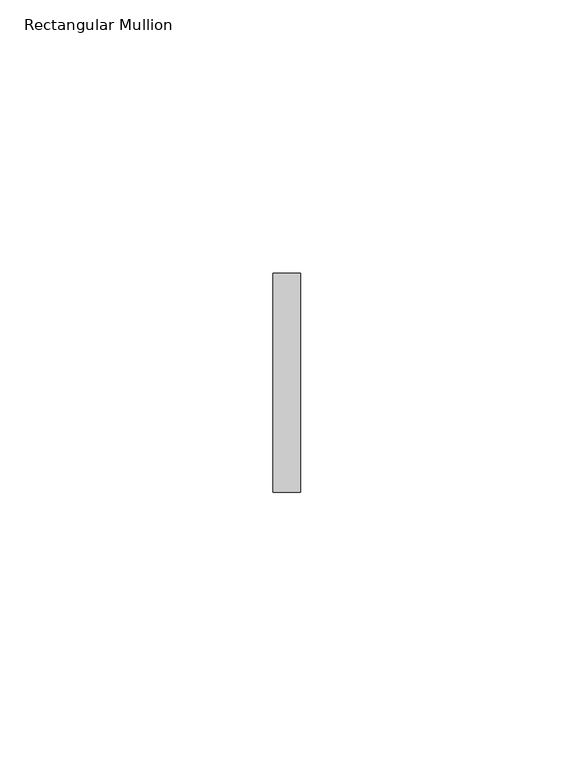
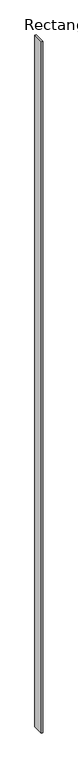
"""IFC4 building model written with IfcOpenShell, lengths in millimetres: member geometry, Rectangular Mullion."""

from ifc_helpers import new_model, si_unit, frame, origin, place, context, project, spatial, polyline, outline, extrude, source, transform, mapped, element, save


def rectangular_mullion_7f996c76(model_context):
    return source(origin(), model_context, "Body", "SweptSolid", [
        extrude(outline(polyline([(2.5, -20.0), (-2.5, -20.0), (-2.5, 20.0), (2.5, 20.0), (2.5, -20.0)])), frame((0.0, 0.0, -2616.0), z_axis=(0.0, 0.0, 1.0), x_axis=(1.0, 0.0, 0.0)), (0.0, 0.0, 1.0), 2616.0),
    ])


if __name__ == "__main__":
    model = new_model("IFC4")
    model_context = context("Model", 3, world=origin())
    ifc_project = project(units=[si_unit("LENGTHUNIT", "METRE", prefix="MILLI")], contexts=[model_context])
    site = spatial("IfcSite", under=ifc_project)
    building = spatial("IfcBuilding", under=site)
    placement = place(None, origin())
    rectangular_mullion_shape = rectangular_mullion_7f996c76(model_context)
    element("IfcMember", 1, ObjectType="Rectangular Mullion", at=placement, inside=building, context=model_context, shape_type="MappedRepresentation", body=[
        mapped(rectangular_mullion_shape, transform((0.0, 0.0, 0.0), x_axis=(1.0, 0.0, 0.0), y_axis=(0.0, 1.0, 0.0), z_axis=(0.0, 0.0, 1.0))),
    ])
    save(model, "model.ifc")
